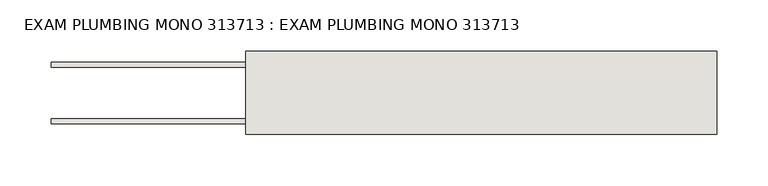
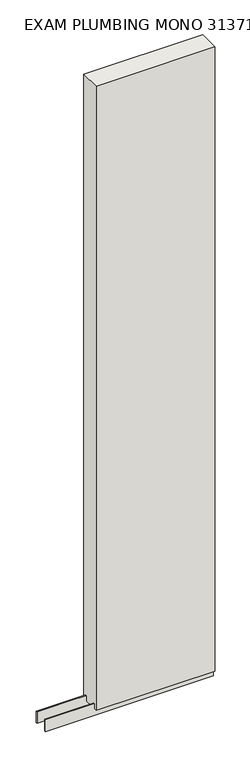
"""IFC4 building model written with IfcOpenShell, lengths in millimetres: wall geometry, EXAM PLUMBING MONO 313713 : EXAM PLUMBING MONO 313713."""

from ifc_helpers import new_model, si_unit, frame, origin, place, context, project, spatial, polyline, outline, extrude, source, transform, mapped, element, save


def exam_plumbing_mono_313713_exam_plumbing_mono_313713_6172f675(model_context):
    return source(origin(), model_context, "Body", "SweptSolid", [
        extrude(outline(polyline([(72324.055504, -53335.9245954), (72321.515504, -53335.9245954), (72321.515504, -53333.3845954), (72324.055504, -53333.3845954), (72324.055504, -53335.9245954)])), frame((0.0, 0.0, 4419.6), z_axis=(0.0, 0.0, 1.0), x_axis=(1.0, 0.0, 0.0)), (0.0, 0.0, 1.0), 2.54),
        extrude(outline(polyline([(72782.403965, -53309.5708508), (72131.020457, -53309.5708508), (72131.020457, -53304.4920954), (72782.403965, -53304.4920954), (72782.403965, -53309.5708508)])), frame((0.0, 0.0, 4418.6602), z_axis=(0.0, 0.0, 1.0), x_axis=(1.0, 0.0, 0.0)), (0.0, 0.0, 1.0), 47.625),
        extrude(outline(polyline([(72782.403965, -53309.5708508), (72131.020457, -53309.5708508), (72131.020457, -53304.4920954), (72782.403965, -53304.4920954), (72782.403965, -53309.5708508)])), frame((0.0, 0.0, 4418.6602), z_axis=(0.0, 0.0, 1.0), x_axis=(1.0, 0.0, 0.0)), (0.0, 0.0, 1.0), 47.625),
        extrude(outline(polyline([(72131.020457, -53359.73834), (72782.403965, -53359.73834), (72782.403965, -53364.8170954), (72131.020457, -53364.8170954), (72131.020457, -53359.73834)])), frame((0.0, 0.0, 4418.6602), z_axis=(0.0, 0.0, 1.0), x_axis=(1.0, 0.0, 0.0)), (0.0, 0.0, 1.0), 47.625),
        extrude(outline(polyline([(72131.020457, -53359.73834), (72782.403965, -53359.73834), (72782.403965, -53364.8170954), (72131.020457, -53364.8170954), (72131.020457, -53359.73834)])), frame((0.0, 0.0, 4418.6602), z_axis=(0.0, 0.0, 1.0), x_axis=(1.0, 0.0, 0.0)), (0.0, 0.0, 1.0), 47.625),
        extrude(outline(polyline([(72782.403965, -53293.999711), (72782.403965, -53375.3032822), (72321.520457, -53375.3032822), (72321.520457, -53293.999711), (72782.403965, -53293.999711)])), frame((0.0, 0.0, 4445.0), z_axis=(0.0, 0.0, 1.0), x_axis=(1.0, 0.0, 0.0)), (0.0, 0.0, 1.0), 2562.4536762),
    ])


if __name__ == "__main__":
    model = new_model("IFC4")
    model_context = context("Model", 3, world=origin())
    ifc_project = project(units=[si_unit("LENGTHUNIT", "METRE", prefix="MILLI")], contexts=[model_context])
    site = spatial("IfcSite", under=ifc_project)
    building = spatial("IfcBuilding", under=site)
    placement = place(None, origin())
    exam_plumbing_mono_313713_exam_plumbing_mono_313713_shape = exam_plumbing_mono_313713_exam_plumbing_mono_313713_6172f675(model_context)
    element("IfcWall", 1, ObjectType="EXAM PLUMBING MONO 313713 : EXAM PLUMBING MONO 313713", at=placement, inside=building, context=model_context, shape_type="MappedRepresentation", body=[
        mapped(exam_plumbing_mono_313713_exam_plumbing_mono_313713_shape, transform((0.0, 0.0, 0.0), x_axis=(1.0, 0.0, 0.0), y_axis=(0.0, 1.0, 0.0), z_axis=(0.0, 0.0, 1.0))),
    ])
    save(model, "model.ifc")
